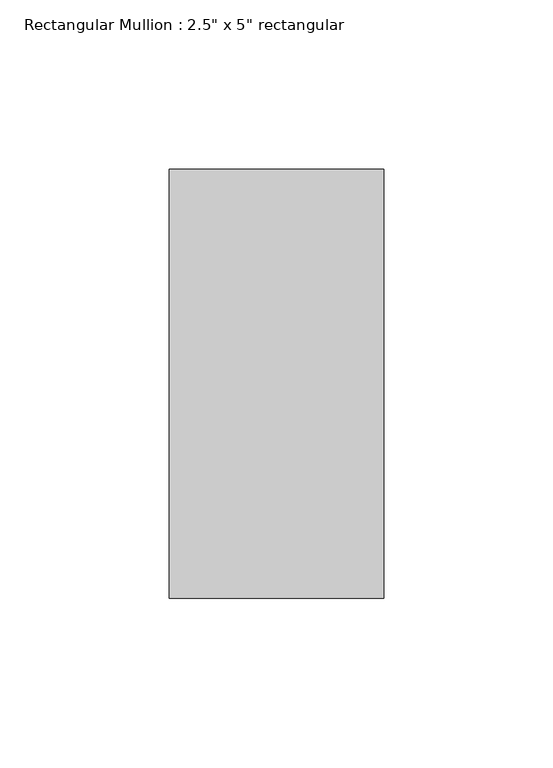
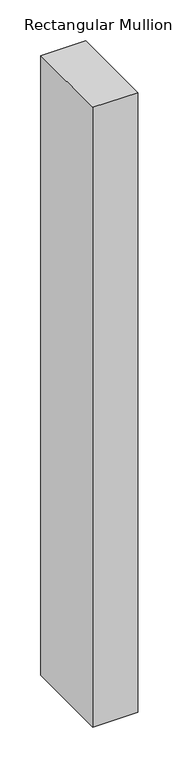
"""IFC4 building model written with IfcOpenShell, lengths in millimetres: member geometry."""

from ifc_helpers import new_model, si_unit, frame, origin, place, context, project, spatial, polyline, outline, extrude, source, transform, mapped, element, save


def member_5dc00ace(model_context):
    return source(origin(), model_context, "Body", "SweptSolid", [
        extrude(outline(polyline([(0.0, 63.5), (0.0, -63.5), (-63.5, -63.5), (-63.5, 63.5), (0.0, 63.5)])), frame((0.0, 0.0, -924.6284222), z_axis=(0.0, 0.0, 1.0), x_axis=(1.0, 0.0, 0.0)), (0.0, 0.0, 1.0), 924.6284222),
    ])


if __name__ == "__main__":
    model = new_model("IFC4")
    model_context = context("Model", 3, world=origin())
    ifc_project = project(units=[si_unit("LENGTHUNIT", "METRE", prefix="MILLI")], contexts=[model_context])
    site = spatial("IfcSite", under=ifc_project)
    building = spatial("IfcBuilding", under=site)
    placement = place(None, origin())
    member_shape = member_5dc00ace(model_context)
    element("IfcMember", 1, ObjectType="Rectangular Mullion : 2.5\" x 5\" rectangular", at=placement, inside=building, context=model_context, shape_type="MappedRepresentation", body=[
        mapped(member_shape, transform((0.0, 0.0, 0.0), x_axis=(1.0, 0.0, 0.0), y_axis=(0.0, 1.0, 0.0), z_axis=(0.0, 0.0, 1.0))),
    ])
    save(model, "model.ifc")
